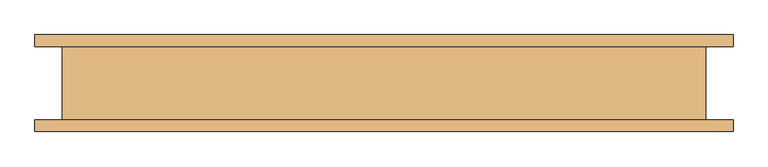
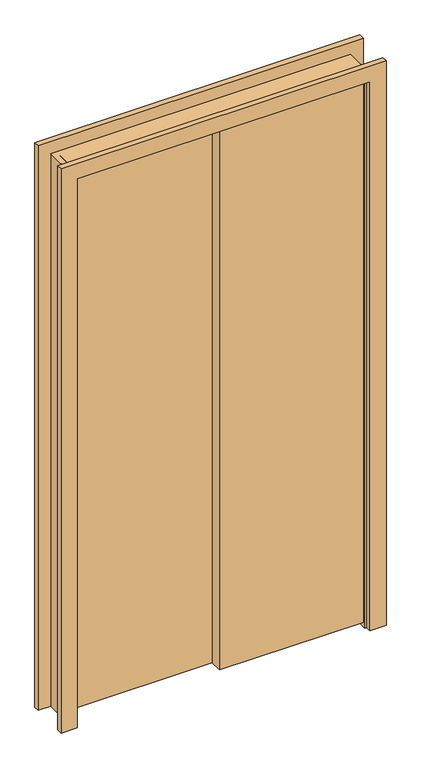
"""IFC4 building model written with IfcOpenShell, lengths in millimetres: door geometry."""

from ifc_helpers import new_model, si_unit, frame, origin, place, context, project, spatial, polyline, outline, extrude, faceted_brep, source, transform, mapped, element, save


def door_9dc169e8(model_context):
    return source(origin(), model_context, "Body", "SolidModel", [
        faceted_brep([(520.7, 60.325, 2095.5), (-622.3, 60.325, 2095.5), (-622.3, 60.325, 0.0), (-577.85, 60.325, 0.0), (-577.85, 60.325, 2051.05), (476.25, 60.325, 2051.05), (476.25, 60.325, 0.0), (520.7, 60.325, 0.0), (520.7, 79.375, 2095.5), (520.7, 79.375, 0.0), (463.55, 79.375, 0.0), (463.55, 79.375, 2038.35), (-565.15, 79.375, 2038.35), (-565.15, 79.375, 0.0), (-622.3, 79.375, 0.0), (-622.3, 79.375, 2095.5), (476.25, -60.325, 0.0), (520.7, -60.325, 0.0), (520.7, -79.375, 0.0), (463.55, -79.375, 0.0), (463.55, -60.325, 0.0), (457.2, -60.325, 0.0), (457.2, 60.325, 0.0), (463.55, 60.325, 0.0), (-565.15, 60.325, 0.0), (-558.8, 60.325, 0.0), (-558.8, -60.325, 0.0), (-565.15, -60.325, 0.0), (-565.15, -79.375, 0.0), (-622.3, -79.375, 0.0), (-622.3, -60.325, 0.0), (-577.85, -60.325, 0.0), (-565.15, 60.325, 2038.35), (463.55, 60.325, 2038.35), (-577.85, -60.325, 2051.05), (476.25, -60.325, 2051.05), (-558.8, -60.325, 2032.0), (457.2, -60.325, 2032.0), (463.55, -60.325, 2038.35), (-565.15, -60.325, 2038.35), (-558.8, 60.325, 2032.0), (-558.8, 15.875, 2032.0), (-558.8, 15.875, 2019.3), (-558.8, -22.225, 2019.3), (-558.8, -22.225, 2032.0), (457.2, 60.325, 2032.0), (457.2, -22.225, 2032.0), (457.2, -22.225, 2019.3), (457.2, 15.875, 2019.3), (457.2, 15.875, 2032.0), (-622.3, -60.325, 2095.5), (520.7, -60.325, 2095.5), (-565.15, -79.375, 2038.35), (463.55, -79.375, 2038.35), (520.7, -79.375, 2095.5), (-622.3, -79.375, 2095.5)], [[[0, 1, 2, 3, 4, 5, 6, 7]], [[8, 9, 10, 11, 12, 13, 14, 15]], [[1, 0, 8, 15]], [[2, 1, 15, 14]], [[10, 9, 7, 6, 16, 17, 18, 19, 20, 21, 22, 23]], [[14, 13, 24, 25, 26, 27, 28, 29, 30, 31, 3, 2]], [[13, 12, 32, 24]], [[12, 11, 33, 32]], [[11, 10, 23, 33]], [[0, 7, 9, 8]], [[4, 34, 35, 5]], [[34, 4, 3, 31]], [[27, 26, 36, 37, 21, 20, 38, 39]], [[26, 25, 40, 41, 42, 43, 44, 36]], [[25, 24, 32, 33, 23, 22, 45, 40]], [[22, 21, 37, 46, 47, 48, 49, 45]], [[5, 35, 16, 6]], [[30, 50, 51, 17, 16, 35, 34, 31]], [[29, 28, 52, 53, 19, 18, 54, 55]], [[52, 28, 27, 39]], [[53, 52, 39, 38]], [[19, 53, 38, 20]], [[17, 51, 54, 18]], [[51, 50, 55, 54]], [[50, 30, 29, 55]], [[37, 36, 44, 46]], [[46, 44, 43, 47]], [[47, 43, 42, 48]], [[48, 42, 41, 49]], [[49, 41, 40, 45]]]),
        extrude(outline(polyline([(-558.8, -9.525), (-558.8, 34.925), (-50.8773709, 34.925), (-50.8773709, -9.525), (-558.8, -9.525)])), frame((0.0, 0.0, 19.05), z_axis=(0.0, 0.0, 1.0), x_axis=(1.0, 0.0, 0.0)), (0.0, 0.0, 1.0), 2032.0),
        extrude(outline(polyline([(457.2, -53.975), (-50.7226291, -53.975), (-50.7226291, -9.525), (457.2, -9.525), (457.2, -53.975)])), frame((0.0, 0.0, 19.05), z_axis=(0.0, 0.0, 1.0), x_axis=(1.0, 0.0, 0.0)), (0.0, 0.0, 1.0), 2032.0),
    ])


if __name__ == "__main__":
    model = new_model("IFC4")
    model_context = context("Model", 3, world=origin())
    ifc_project = project(units=[si_unit("LENGTHUNIT", "METRE", prefix="MILLI")], contexts=[model_context])
    site = spatial("IfcSite", under=ifc_project)
    building = spatial("IfcBuilding", under=site)
    placement = place(None, origin())
    door_shape = door_9dc169e8(model_context)
    element("IfcDoor", 1, at=placement, inside=building, context=model_context, shape_type="MappedRepresentation", body=[
        mapped(door_shape, transform((0.0, 0.0, 0.0), x_axis=(1.0, 0.0, 0.0), y_axis=(0.0, 1.0, 0.0), z_axis=(0.0, 0.0, 1.0))),
    ])
    save(model, "model.ifc")
